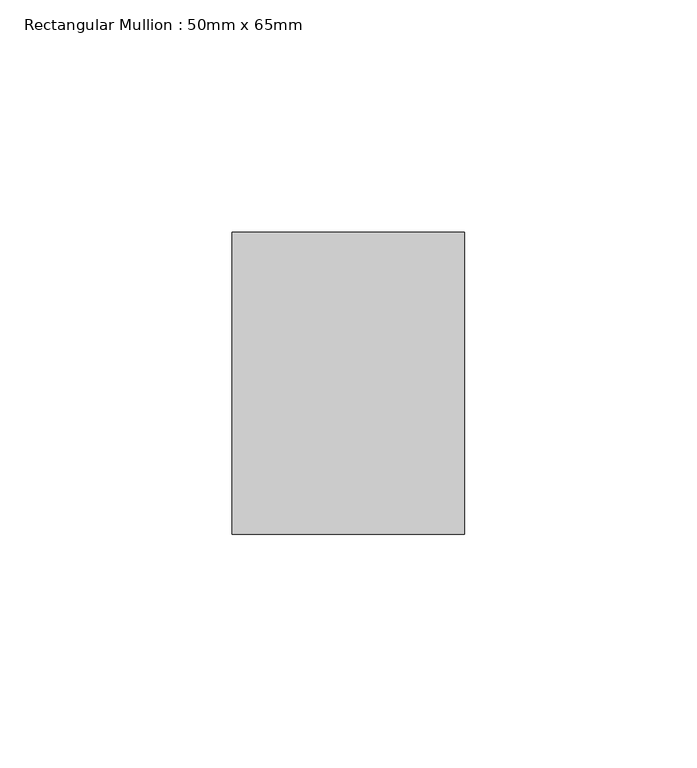
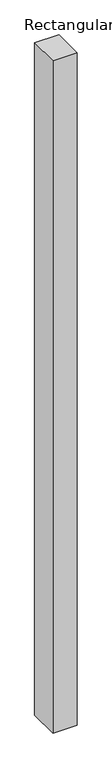
"""IFC4 building model written with IfcOpenShell, lengths in millimetres: member geometry, Rectangular Mullion : 50mm x 65mm."""

from ifc_helpers import new_model, si_unit, frame, origin, place, context, project, spatial, polyline, outline, extrude, source, transform, mapped, element, save


def rectangular_mullion_50mm_x_65mm_eec79369(model_context):
    return source(origin(), model_context, "Body", "SweptSolid", [
        extrude(outline(polyline([(25.0, 32.5), (25.0, -32.5), (-25.0, -32.5), (-25.0, 32.5), (25.0, 32.5)])), frame((0.0, 0.0, -1473.7158403), z_axis=(0.0, 0.0, 1.0), x_axis=(1.0, 0.0, 0.0)), (0.0, 0.0, 1.0), 1473.7158403),
    ])


if __name__ == "__main__":
    model = new_model("IFC4")
    model_context = context("Model", 3, world=origin())
    ifc_project = project(units=[si_unit("LENGTHUNIT", "METRE", prefix="MILLI")], contexts=[model_context])
    site = spatial("IfcSite", under=ifc_project)
    building = spatial("IfcBuilding", under=site)
    placement = place(None, origin())
    rectangular_mullion_50mm_x_65mm_shape = rectangular_mullion_50mm_x_65mm_eec79369(model_context)
    element("IfcMember", 1, ObjectType="Rectangular Mullion : 50mm x 65mm", at=placement, inside=building, context=model_context, shape_type="MappedRepresentation", body=[
        mapped(rectangular_mullion_50mm_x_65mm_shape, transform((0.0, 0.0, 0.0), x_axis=(1.0, 0.0, 0.0), y_axis=(0.0, 1.0, 0.0), z_axis=(0.0, 0.0, 1.0))),
    ])
    save(model, "model.ifc")
